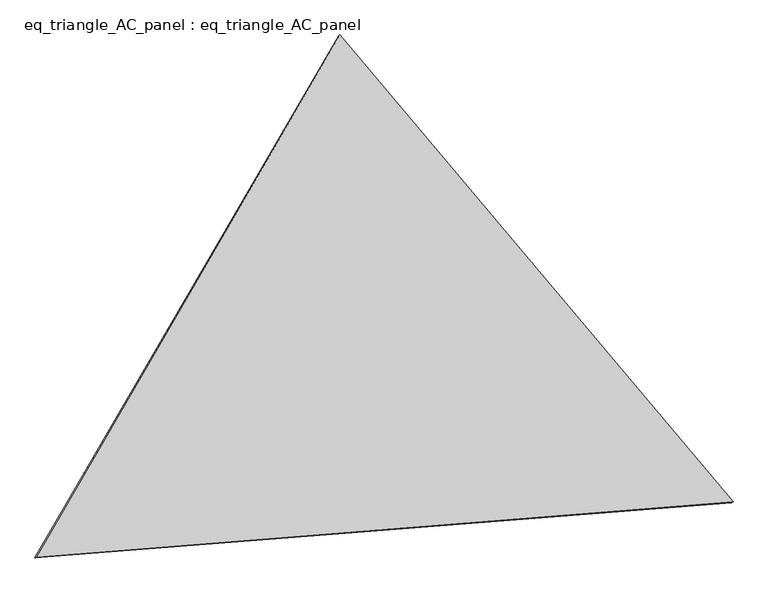
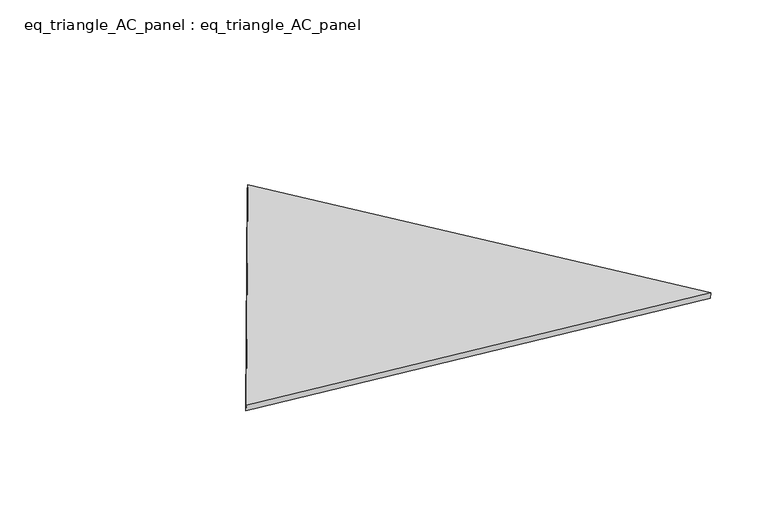
"""IFC4 building model written with IfcOpenShell, lengths in millimetres: proxy geometry, eq_triangle_AC_panel : eq_triangle_AC_panel."""

from ifc_helpers import new_model, si_unit, frame, origin, place, context, project, spatial, polyline, outline, extrude, source, transform, mapped, element, save


def eq_triangle_ac_panel_eq_triangle_ac_panel_7a67b083(model_context):
    return source(origin(), model_context, "Body", "SweptSolid", [
        extrude(outline(polyline([(-1545.5252188, 1096.9501239), (1940.5810827, 1096.9501239), (-395.0558641, -2193.9002477), (-1545.5252188, 1096.9501239)])), frame((0.0038051, 527.9290861, 89.8240019), z_axis=(0.14526328518058212, 0.08386570281802194, 0.9858321976225894), x_axis=(0.6433905056168989, -0.7649607109843793, -0.02972823459783928)), (0.0, 0.0, 1.0), 43.8306294),
    ])


if __name__ == "__main__":
    model = new_model("IFC4")
    model_context = context("Model", 3, world=origin())
    ifc_project = project(units=[si_unit("LENGTHUNIT", "METRE", prefix="MILLI")], contexts=[model_context])
    site = spatial("IfcSite", under=ifc_project)
    building = spatial("IfcBuilding", under=site)
    placement = place(None, origin())
    eq_triangle_ac_panel_eq_triangle_ac_panel_shape = eq_triangle_ac_panel_eq_triangle_ac_panel_7a67b083(model_context)
    element("IfcBuildingElementProxy", 1, Name="eq_triangle_AC_panel : eq_triangle_AC_panel", ObjectType="eq_triangle_AC_panel : eq_triangle_AC_panel", at=placement, inside=building, context=model_context, shape_type="MappedRepresentation", body=[
        mapped(eq_triangle_ac_panel_eq_triangle_ac_panel_shape, transform((0.0, 0.0, 0.0), x_axis=(1.0, 0.0, 0.0), y_axis=(0.0, 1.0, 0.0), z_axis=(0.0, 0.0, 1.0))),
    ])
    save(model, "model.ifc")
